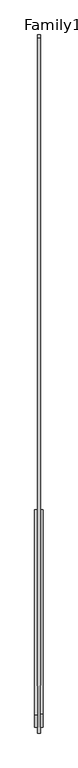
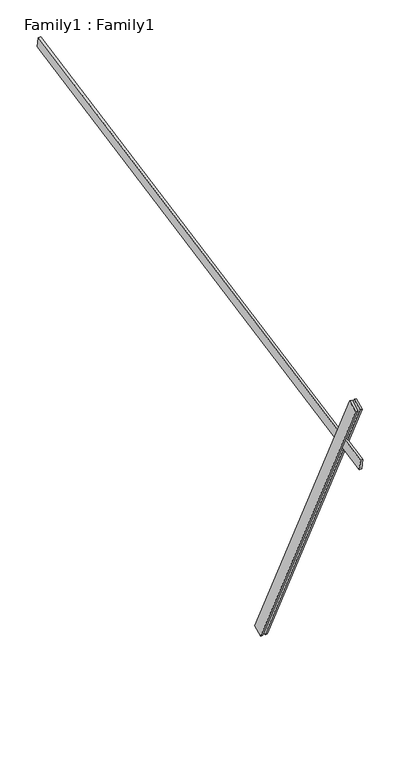
"""IFC4 building model written with IfcOpenShell, lengths in millimetres: proxy geometry, Family1 : Family1."""

from ifc_helpers import new_model, si_unit, frame, origin, place, context, project, spatial, polyline, outline, extrude, source, transform, mapped, element, save


def family1_family1_9fbc8118(model_context):
    return source(origin(), model_context, "Body", "SweptSolid", [
        extrude(outline(polyline([(0.0, 0.0), (-100.0000001, 0.0), (-100.0000001, 20.0), (0.0, 20.0), (0.0, 0.0)])), frame((-30.0, -46.3241747, -22.5938096), z_axis=(0.0, -0.4383711467890692, 0.8987940462991711), x_axis=(0.0, -0.8987940462991711, -0.4383711467890692)), (0.0, 0.0, 1.0), 3300.0),
        extrude(outline(polyline([(0.0, 0.0), (-99.9999999, 0.0), (-99.9999999, 20.0), (0.0, 20.0), (0.0, 0.0)])), frame((10.0, -45.270232, -22.0797674), z_axis=(0.0, -0.4383711467890692, 0.8987940462991711), x_axis=(0.0, -0.8987940462991711, -0.4383711467890692)), (0.0, 0.0, 1.0), 3300.0),
        extrude(outline(polyline([(0.0, 20.0), (5000.0000001, 20.0), (5000.0000001, 0.0), (0.0, 0.0), (0.0, 20.0)])), frame((-10.0, 3394.0433789, 3364.0127094), z_axis=(0.0, -0.19080899537654727, 0.9816271834476635), x_axis=(0.0, -0.9816271834476635, -0.19080899537654727)), (0.0, 0.0, 1.0), 100.0),
    ])


if __name__ == "__main__":
    model = new_model("IFC4")
    model_context = context("Model", 3, world=origin())
    ifc_project = project(units=[si_unit("LENGTHUNIT", "METRE", prefix="MILLI")], contexts=[model_context])
    site = spatial("IfcSite", under=ifc_project)
    building = spatial("IfcBuilding", under=site)
    placement = place(None, origin())
    family1_family1_shape = family1_family1_9fbc8118(model_context)
    element("IfcBuildingElementProxy", 1, Name="Family1 : Family1", ObjectType="Family1 : Family1", at=placement, inside=building, context=model_context, shape_type="MappedRepresentation", body=[
        mapped(family1_family1_shape, transform((0.0, 0.0, 0.0), x_axis=(1.0, 0.0, 0.0), y_axis=(0.0, 1.0, 0.0), z_axis=(0.0, 0.0, 1.0))),
    ])
    save(model, "model.ifc")
